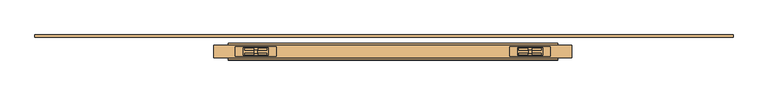
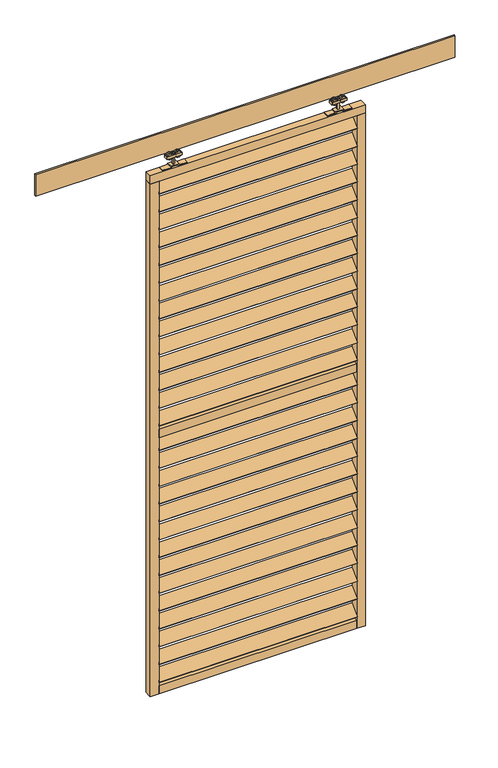
"""IFC4 building model written with IfcOpenShell, lengths in millimetres: door geometry."""

import ifcopenshell
import ifcopenshell.guid

model = None  # the IFC model being written
_history = None  # IfcOwnerHistory: only IFC2X3 demands one
_inside = {}  # id of a spatial element -> (the spatial element, [elements in it])
_under = {}  # id of a project, library or spatial element -> (it, [spatial elements below it])
_declared = {}  # id of a project -> (the project, [libraries it declares])
_typed = {}  # id of a type object -> (the type object, [elements of that type])
_made_of = {}  # id of a material, layer set ... -> (it, [elements and type objects made of it])


def new_model(schema):
    """Start an empty IFC model of exactly this schema.

    Asked for "IFC4X3", IfcOpenShell would pick the latest addendum, in which some entities
    have other attributes; the version numbers below select the first issue.
    IFC2X3 requires an IfcOwnerHistory on every rooted entity: one is made here for all.
    """
    global model, _history
    if schema == "IFC4X3":
        model = ifcopenshell.file(schema_version=(4, 3, 0, 0))
    else:
        model = ifcopenshell.file(schema=schema)
    _inside.clear()
    _under.clear()
    _declared.clear()
    _typed.clear()
    _made_of.clear()
    _history = None
    if model.schema == "IFC2X3":
        org = make("IfcOrganization", Name="unknown")
        user = make(
            "IfcPersonAndOrganization",
            ThePerson=make("IfcPerson", FamilyName="unknown"),
            TheOrganization=org,
        )
        app = make(
            "IfcApplication",
            ApplicationDeveloper=org,
            Version="unknown",
            ApplicationFullName="unknown",
            ApplicationIdentifier="unknown",
        )
        _history = make(
            "IfcOwnerHistory",
            OwningUser=user,
            OwningApplication=app,
            ChangeAction="ADDED",
            CreationDate=0,
        )
    return model


def make(cls, **values):
    """One entity of the class cls with the attributes given. An attribute that is None is left unset."""
    return model.create_entity(
        cls, **{name: value for name, value in values.items() if value is not None}
    )


def rooted(cls, **values):
    """An entity with a GlobalId (a new one), such as an element, a storey or a relation."""
    return make(cls, GlobalId=ifcopenshell.guid.new(), OwnerHistory=_history, **values)


def si_unit(unit_type, name, prefix=None):
    """IfcSIUnit, for example si_unit("LENGTHUNIT", "METRE", prefix="MILLI")."""
    return make("IfcSIUnit", UnitType=unit_type, Prefix=prefix, Name=name)


def assignment(units):
    """IfcUnitAssignment: the units of a project."""
    return None if units is None else make("IfcUnitAssignment", Units=units)


def point(xyz):
    """IfcCartesianPoint."""
    return None if xyz is None else make("IfcCartesianPoint", Coordinates=xyz)


def direction(xyz):
    """IfcDirection."""
    return None if xyz is None else make("IfcDirection", DirectionRatios=xyz)


def frame(location, z_axis=None, x_axis=None):
    """IfcAxis2Placement3D, a coordinate frame: its origin and axes. An axis left out is left unset."""
    return make(
        "IfcAxis2Placement3D",
        Location=point(location),
        Axis=direction(z_axis),
        RefDirection=direction(x_axis),
    )


def frame_2d(location, x_axis=None):
    """IfcAxis2Placement2D, a coordinate frame in the plane: its origin and x axis."""
    return make(
        "IfcAxis2Placement2D", Location=point(location), RefDirection=direction(x_axis)
    )


def origin():
    """The frame at (0, 0, 0) with its axes left unset."""
    return frame((0.0, 0.0, 0.0))


def place(relative_to, where):
    """IfcLocalPlacement: puts the frame where relative to a parent placement (None: the world)."""
    return make(
        "IfcLocalPlacement", PlacementRelTo=relative_to, RelativePlacement=where
    )


def context(
    kind, dimensions, precision=None, world=None, true_north=None, identifier=None
):
    """IfcGeometricRepresentationContext, for example the 3D "Model" context."""
    return make(
        "IfcGeometricRepresentationContext",
        ContextIdentifier=identifier,
        ContextType=kind,
        CoordinateSpaceDimension=dimensions,
        Precision=precision,
        WorldCoordinateSystem=world,
        TrueNorth=true_north,
    )


def project(units=None, contexts=None):
    """IfcProject with its units and contexts."""
    return rooted(
        "IfcProject",
        Name="project",
        RepresentationContexts=contexts,
        UnitsInContext=assignment(units),
    )


def spatial(cls, under=None, at=None, **own):
    """A site, building, storey or space (cls), placed at a placement, below another one or the project."""
    s = rooted(cls, ObjectPlacement=at, **own)
    if under is not None:
        _under.setdefault(under.id(), (under, []))[1].append(s)
    return s


def polyline(points):
    """IfcPolyline through the points."""
    return make("IfcPolyline", Points=[point(p) for p in points])


def circle_curve(where, radius):
    """IfcCircle in the frame where."""
    return make("IfcCircle", Position=where, Radius=radius)


def trimmed(basis, trim1, trim2, sense, master):
    """IfcTrimmedCurve: the piece of a basis curve between two trims."""
    return make(
        "IfcTrimmedCurve",
        BasisCurve=basis,
        Trim1=trim1,
        Trim2=trim2,
        SenseAgreement=sense,
        MasterRepresentation=master,
    )


def segment(curve, same_sense, transition):
    """IfcCompositeCurveSegment."""
    return make(
        "IfcCompositeCurveSegment",
        Transition=transition,
        SameSense=same_sense,
        ParentCurve=curve,
    )


def composite_curve(segments, self_intersect=None):
    """IfcCompositeCurve: segments joined end to end."""
    return make("IfcCompositeCurve", Segments=segments, SelfIntersect=self_intersect)


def outline(outer, holes=None, kind="AREA"):
    """IfcArbitraryClosedProfileDef: a profile drawn as a closed curve; with holes, ...WithVoids."""
    if holes is None:
        return make("IfcArbitraryClosedProfileDef", ProfileType=kind, OuterCurve=outer)
    return make(
        "IfcArbitraryProfileDefWithVoids",
        ProfileType=kind,
        OuterCurve=outer,
        InnerCurves=holes,
    )


def extrude(swept, where, along, depth):
    """IfcExtrudedAreaSolid: the profile swept, set in the frame where, extruded along a direction by depth."""
    return make(
        "IfcExtrudedAreaSolid",
        SweptArea=swept,
        Position=where,
        ExtrudedDirection=direction(along),
        Depth=depth,
    )


def shape(context_of_items, identifier, shape_type, items):
    """IfcShapeRepresentation: the items that make up one representation, for example the "Body"."""
    return make(
        "IfcShapeRepresentation",
        ContextOfItems=context_of_items,
        RepresentationIdentifier=identifier,
        RepresentationType=shape_type,
        Items=items,
    )


def source(mapping_origin, context_of_items, identifier, shape_type, items):
    """IfcRepresentationMap: a shape defined once, which mapped items show again and again."""
    return make(
        "IfcRepresentationMap",
        MappingOrigin=mapping_origin,
        MappedRepresentation=shape(context_of_items, identifier, shape_type, items),
    )


def transform(
    local_origin,
    x_axis=None,
    y_axis=None,
    z_axis=None,
    scale=None,
    scale2=None,
    scale3=None,
    uniform=True,
):
    """IfcCartesianTransformationOperator3D, or its non-uniform kind. x_axis, y_axis, z_axis: its Axis1, 2, 3."""
    if uniform:
        return make(
            "IfcCartesianTransformationOperator3D",
            Axis1=direction(x_axis),
            Axis2=direction(y_axis),
            LocalOrigin=point(local_origin),
            Scale=scale,
            Axis3=direction(z_axis),
        )
    return make(
        "IfcCartesianTransformationOperator3DnonUniform",
        Axis1=direction(x_axis),
        Axis2=direction(y_axis),
        LocalOrigin=point(local_origin),
        Scale=scale,
        Axis3=direction(z_axis),
        Scale2=scale2,
        Scale3=scale3,
    )


def mapped(mapping_source, mapping_target):
    """IfcMappedItem: shows the shape of a source again, moved by a transform."""
    return make(
        "IfcMappedItem", MappingSource=mapping_source, MappingTarget=mapping_target
    )


def made_of(thing, what):
    """Note that an element or type object is made of a material, layer set ...; save() writes the relation."""
    if what is not None:
        _made_of.setdefault(what.id(), (what, []))[1].append(thing)
    return thing


def element(
    cls,
    number,
    at=None,
    inside=None,
    cuts=None,
    type_object=None,
    material=None,
    context=None,
    identifier="Body",
    shape_type=None,
    held_by="IfcProductDefinitionShape",
    body=None,
    shapes=None,
    **own,
):
    """One element of the class cls, such as IfcWall. Its Tag is "e" and its number.

    at: its placement. inside: the storey or other place that contains it. cuts: it is an
    opening in that element (IfcRelVoidsElement). A single representation is given by context,
    identifier, shape_type and body (its items); several are given by shapes. held_by: the class
    of the entity that holds the representations. save() writes the other relations.
    """
    e = rooted(cls, Tag="e%d" % number, ObjectPlacement=at, **own)
    if body is not None:
        shapes = [shape(context, identifier, shape_type, body)]
    if shapes is not None:
        e.Representation = make(held_by, Representations=shapes)
    if inside is not None:
        _inside.setdefault(inside.id(), (inside, []))[1].append(e)
    if cuts is not None:
        rooted(
            "IfcRelVoidsElement", RelatingBuildingElement=cuts, RelatedOpeningElement=e
        )
    if type_object is not None:
        _typed.setdefault(type_object.id(), (type_object, []))[1].append(e)
    return made_of(e, material)


def aggregate(whole, parts):
    """IfcRelAggregates: a whole, such as a stair, and the parts it consists of."""
    return rooted("IfcRelAggregates", RelatingObject=whole, RelatedObjects=parts)


def save(model, path):
    """Write the relations noted so far, then the file.

    IfcRelAggregates (storeys below a building ...), IfcRelContainedInSpatialStructure (elements
    in a storey), IfcRelDefinesByType, IfcRelAssociatesMaterial and IfcRelDeclares: one each for
    every whole, place, type object, material and project.
    """
    for whole, parts in _under.values():
        aggregate(whole, parts)
    for where, things in _inside.values():
        rooted(
            "IfcRelContainedInSpatialStructure",
            RelatedElements=things,
            RelatingStructure=where,
        )
    for kind, things in _typed.values():
        rooted("IfcRelDefinesByType", RelatedObjects=things, RelatingType=kind)
    for what, things in _made_of.values():
        rooted("IfcRelAssociatesMaterial", RelatedObjects=things, RelatingMaterial=what)
    for by, libraries in _declared.values():
        rooted("IfcRelDeclares", RelatingContext=by, RelatedDefinitions=libraries)
    model.write(path)


def door_2c6dda8d(model_context):
    return source(origin(), model_context, "Body", "SweptSolid", [
        extrude(outline(polyline([(0.0, -5.0), (0.0, 0.0), (920.0, 0.0), (920.0, -5.0), (0.0, -5.0)])), frame((-362.5, -24.1880102, 2408.3651835), z_axis=(0.0, 0.7071067811865482, 0.707106781186547), x_axis=(1.0, 0.0, 0.0)), (0.0, 0.0, 1.0), 60.0),
        extrude(outline(polyline([(0.0, -5.0), (0.0, 0.0), (920.0, 0.0), (920.0, -5.0), (0.0, -5.0)])), frame((-362.5, -24.1880102, 2320.7113373), z_axis=(0.0, 0.7071067811865482, 0.707106781186547), x_axis=(1.0, 0.0, 0.0)), (0.0, 0.0, 1.0), 60.0),
        extrude(outline(polyline([(0.0, -5.0000001), (0.0, 0.0), (920.0, 0.0), (920.0, -5.0000001), (0.0, -5.0000001)])), frame((-362.5, -24.1880102, 2233.0574911), z_axis=(0.0, 0.7071067811865482, 0.707106781186547), x_axis=(1.0, 0.0, 0.0)), (0.0, 0.0, 1.0), 60.0),
        extrude(outline(polyline([(0.0, -5.0), (0.0, 0.0), (920.0, 0.0), (920.0, -5.0), (0.0, -5.0)])), frame((-362.5, -24.1880102, 1148.8651835), z_axis=(0.0, 0.7071067811865482, 0.707106781186547), x_axis=(1.0, 0.0, 0.0)), (0.0, 0.0, 1.0), 60.0),
        extrude(outline(polyline([(0.0, -5.0), (0.0, 0.0), (920.0, 0.0), (920.0, -5.0), (0.0, -5.0)])), frame((-362.5, -24.1880102, 1061.2113373), z_axis=(0.0, 0.7071067811865482, 0.707106781186547), x_axis=(1.0, 0.0, 0.0)), (0.0, 0.0, 1.0), 60.0),
        extrude(outline(polyline([(0.0, -5.0000001), (0.0, 0.0), (920.0, 0.0), (920.0, -5.0000001), (0.0, -5.0000001)])), frame((-362.5, -24.1880102, 973.5574911), z_axis=(0.0, 0.7071067811865482, 0.707106781186547), x_axis=(1.0, 0.0, 0.0)), (0.0, 0.0, 1.0), 60.0),
        extrude(outline(polyline([(0.0, -5.0), (0.0, 0.0), (920.0, 0.0), (920.0, -5.0), (0.0, -5.0)])), frame((-362.5, -24.1880102, 2145.403645), z_axis=(0.0, 0.7071067811865482, 0.707106781186547), x_axis=(1.0, 0.0, 0.0)), (0.0, 0.0, 1.0), 60.0),
        extrude(outline(polyline([(0.0, -5.0), (0.0, 0.0), (920.0, 0.0), (920.0, -5.0), (0.0, -5.0)])), frame((-362.5, -24.1880102, 2057.7497988), z_axis=(0.0, 0.7071067811865482, 0.707106781186547), x_axis=(1.0, 0.0, 0.0)), (0.0, 0.0, 1.0), 60.0),
        extrude(outline(polyline([(0.0, -5.0), (0.0, 0.0), (920.0, 0.0), (920.0, -5.0), (0.0, -5.0)])), frame((-362.5, -24.1880102, 1970.0959527), z_axis=(0.0, 0.7071067811865482, 0.707106781186547), x_axis=(1.0, 0.0, 0.0)), (0.0, 0.0, 1.0), 60.0),
        extrude(outline(polyline([(0.0, -5.0), (0.0, 0.0), (920.0, 0.0), (920.0, -5.0), (0.0, -5.0)])), frame((-362.5, -24.1880102, 1882.4421065), z_axis=(0.0, 0.7071067811865482, 0.707106781186547), x_axis=(1.0, 0.0, 0.0)), (0.0, 0.0, 1.0), 60.0),
        extrude(outline(polyline([(0.0, -5.0), (0.0, 0.0), (920.0, 0.0), (920.0, -5.0), (0.0, -5.0)])), frame((-362.5, -24.1880102, 885.903645), z_axis=(0.0, 0.7071067811865482, 0.707106781186547), x_axis=(1.0, 0.0, 0.0)), (0.0, 0.0, 1.0), 60.0),
        extrude(outline(polyline([(0.0, -5.0), (0.0, 0.0), (920.0, 0.0), (920.0, -5.0), (0.0, -5.0)])), frame((-362.5, -24.1880102, 798.2497988), z_axis=(0.0, 0.7071067811865482, 0.707106781186547), x_axis=(1.0, 0.0, 0.0)), (0.0, 0.0, 1.0), 60.0),
        extrude(outline(polyline([(0.0, -5.0), (0.0, 0.0), (920.0, 0.0), (920.0, -5.0), (0.0, -5.0)])), frame((-362.5, -24.1880102, 710.5959527), z_axis=(0.0, 0.7071067811865482, 0.707106781186547), x_axis=(1.0, 0.0, 0.0)), (0.0, 0.0, 1.0), 60.0),
        extrude(outline(polyline([(0.0, -5.0), (0.0, 0.0), (920.0, 0.0), (920.0, -5.0), (0.0, -5.0)])), frame((-362.5, -24.1880102, 622.9421065), z_axis=(0.0, 0.7071067811865482, 0.707106781186547), x_axis=(1.0, 0.0, 0.0)), (0.0, 0.0, 1.0), 60.0),
        extrude(outline(polyline([(0.0, -5.0), (0.0, 0.0), (920.0, 0.0), (920.0, -5.0), (0.0, -5.0)])), frame((-362.5, -24.1880102, 1794.7882604), z_axis=(0.0, 0.7071067811865482, 0.707106781186547), x_axis=(1.0, 0.0, 0.0)), (0.0, 0.0, 1.0), 60.0),
        extrude(outline(polyline([(0.0, -5.0), (0.0, 0.0), (920.0, 0.0), (920.0, -5.0), (0.0, -5.0)])), frame((-362.5, -24.1880102, 1707.1344142), z_axis=(0.0, 0.7071067811865482, 0.707106781186547), x_axis=(1.0, 0.0, 0.0)), (0.0, 0.0, 1.0), 60.0),
        extrude(outline(polyline([(0.0, -5.0), (0.0, 0.0), (920.0, 0.0), (920.0, -5.0), (0.0, -5.0)])), frame((-362.5, -24.1880102, 1619.4805681), z_axis=(0.0, 0.7071067811865482, 0.707106781186547), x_axis=(1.0, 0.0, 0.0)), (0.0, 0.0, 1.0), 60.0),
        extrude(outline(polyline([(0.0, -5.0), (0.0, 0.0), (920.0, 0.0), (920.0, -5.0), (0.0, -5.0)])), frame((-362.5, -24.1880102, 1531.8267219), z_axis=(0.0, 0.7071067811865482, 0.707106781186547), x_axis=(1.0, 0.0, 0.0)), (0.0, 0.0, 1.0), 60.0),
        extrude(outline(polyline([(0.0, -5.0), (0.0, 0.0), (920.0, 0.0), (920.0, -5.0), (0.0, -5.0)])), frame((-362.5, -24.1880102, 1444.1728758), z_axis=(0.0, 0.7071067811865482, 0.707106781186547), x_axis=(1.0, 0.0, 0.0)), (0.0, 0.0, 1.0), 60.0),
        extrude(outline(polyline([(0.0, -5.0), (0.0, 0.0), (920.0, 0.0), (920.0, -5.0), (0.0, -5.0)])), frame((-362.5, -24.1880102, 2496.0190296), z_axis=(0.0, 0.7071067811865482, 0.707106781186547), x_axis=(1.0, 0.0, 0.0)), (0.0, 0.0, 1.0), 60.0),
        extrude(outline(polyline([(0.0, -5.0), (0.0, 0.0), (920.0, 0.0), (920.0, -5.0), (0.0, -5.0)])), frame((-362.5, -24.1880102, 1356.5190296), z_axis=(0.0, 0.7071067811865482, 0.707106781186547), x_axis=(1.0, 0.0, 0.0)), (0.0, 0.0, 1.0), 60.0),
        extrude(outline(polyline([(0.0, -5.0), (0.0, 0.0), (920.0, 0.0), (920.0, -5.0), (0.0, -5.0)])), frame((-362.5, -24.1880102, 535.2882604), z_axis=(0.0, 0.7071067811865482, 0.707106781186547), x_axis=(1.0, 0.0, 0.0)), (0.0, 0.0, 1.0), 60.0),
        extrude(outline(polyline([(0.0, -5.0), (0.0, 0.0), (920.0, 0.0), (920.0, -5.0), (0.0, -5.0)])), frame((-362.5, -24.1880102, 447.6344142), z_axis=(0.0, 0.7071067811865482, 0.707106781186547), x_axis=(1.0, 0.0, 0.0)), (0.0, 0.0, 1.0), 60.0),
        extrude(outline(polyline([(0.0, -5.0), (0.0, 0.0), (920.0, 0.0), (920.0, -5.0), (0.0, -5.0)])), frame((-362.5, -24.1880102, 359.9805681), z_axis=(0.0, 0.7071067811865482, 0.707106781186547), x_axis=(1.0, 0.0, 0.0)), (0.0, 0.0, 1.0), 60.0),
        extrude(outline(polyline([(0.0, -5.0), (0.0, 0.0), (920.0, 0.0), (920.0, -5.0), (0.0, -5.0)])), frame((-362.5, -24.1880102, 272.3267219), z_axis=(0.0, 0.7071067811865482, 0.707106781186547), x_axis=(1.0, 0.0, 0.0)), (0.0, 0.0, 1.0), 60.0),
        extrude(outline(polyline([(0.0, -5.0), (0.0, 0.0), (920.0, 0.0), (920.0, -5.0), (0.0, -5.0)])), frame((-362.5, -24.1880102, 184.6728758), z_axis=(0.0, 0.7071067811865482, 0.707106781186547), x_axis=(1.0, 0.0, 0.0)), (0.0, 0.0, 1.0), 60.0),
        extrude(outline(polyline([(0.0, -5.0), (0.0, 0.0), (920.0, 0.0), (920.0, -5.0), (0.0, -5.0)])), frame((-362.5, -24.1880102, 1236.5190296), z_axis=(0.0, 0.7071067811865482, 0.707106781186547), x_axis=(1.0, 0.0, 0.0)), (0.0, 0.0, 1.0), 60.0),
        extrude(outline(polyline([(0.0, -5.0), (0.0, 0.0), (920.0, 0.0), (920.0, -5.0), (0.0, -5.0)])), frame((-362.5, -24.1880102, 97.0190296), z_axis=(0.0, 0.7071067811865482, 0.707106781186547), x_axis=(1.0, 0.0, 0.0)), (0.0, 0.0, 1.0), 60.0),
        extrude(outline(polyline([(557.5, -22.2425737), (-362.5, -22.2425737), (-362.5, 12.7574263), (557.5, 12.7574263), (557.5, -22.2425737)])), frame((0.0, 0.0, 1299.5), z_axis=(0.0, 0.0, 1.0), x_axis=(1.0, 0.0, 0.0)), (0.0, 0.0, 1.0), 40.0),
        extrude(outline(polyline([(557.5, -22.2425737), (-362.5, -22.2425737), (-362.5, 12.7574263), (557.5, 12.7574263), (557.5, -22.2425737)])), frame((0.0, 0.0, 40.0), z_axis=(0.0, 0.0, 1.0), x_axis=(1.0, 0.0, 0.0)), (0.0, 0.0, 1.0), 40.0),
        extrude(outline(polyline([(597.5, -22.2425737), (-402.5, -22.2425737), (-402.5, 12.7574263), (597.5, 12.7574263), (597.5, -22.2425737)])), frame((0.0, 0.0, 2559.0), z_axis=(0.0, 0.0, 1.0), x_axis=(1.0, 0.0, 0.0)), (0.0, 0.0, 1.0), 40.0),
        extrude(outline(polyline([(-362.5, -22.2425737), (-402.5, -22.2425737), (-402.5, 12.7574263), (-362.5, 12.7574263), (-362.5, -22.2425737)])), frame((0.0, 0.0, 40.0), z_axis=(0.0, 0.0, 1.0), x_axis=(1.0, 0.0, 0.0)), (0.0, 0.0, 1.0), 2519.0),
        extrude(outline(polyline([(597.5, -22.2425737), (557.5, -22.2425737), (557.5, 12.7574263), (597.5, 12.7574263), (597.5, -22.2425737)])), frame((0.0, 0.0, 40.0), z_axis=(0.0, 0.0, 1.0), x_axis=(1.0, 0.0, 0.0)), (0.0, 0.0, 1.0), 2519.0),
        extrude(outline(composite_curve([segment(trimmed(circle_curve(frame_2d((2652.430297, -304.25)), 13.5), [point((2652.430297, -317.75))], [point((2652.430297, -290.75))], False, "CARTESIAN"), True, "CONTINUOUS"), segment(trimmed(circle_curve(frame_2d((2652.430297, -304.25)), 13.5), [point((2652.430297, -290.75))], [point((2652.430297, -317.75))], False, "CARTESIAN"), True, "CONTINUOUS")], self_intersect=False)), frame((0.0, -13.9509888, 0.0), z_axis=(0.0, 1.0, 0.0), x_axis=(0.0, 0.0, 1.0)), (0.0, 0.0, 1.0), 5.2084151),
        extrude(outline(composite_curve([segment(trimmed(circle_curve(frame_2d((2652.430297, -266.75)), 13.5), [point((2652.430297, -253.25))], [point((2652.430297, -280.25))], False, "CARTESIAN"), True, "CONTINUOUS"), segment(trimmed(circle_curve(frame_2d((2652.430297, -266.75)), 13.5), [point((2652.430297, -280.25))], [point((2652.430297, -253.25))], False, "CARTESIAN"), True, "CONTINUOUS")], self_intersect=False)), frame((0.0, -13.9509888, 0.0), z_axis=(0.0, 1.0, 0.0), x_axis=(0.0, 0.0, 1.0)), (0.0, 0.0, 1.0), 5.2084151),
        extrude(outline(composite_curve([segment(trimmed(circle_curve(frame_2d((2652.430297, -304.25)), 13.5), [point((2652.430297, -317.75))], [point((2652.430297, -290.75))], False, "CARTESIAN"), True, "CONTINUOUS"), segment(trimmed(circle_curve(frame_2d((2652.430297, -304.25)), 13.5), [point((2652.430297, -290.75))], [point((2652.430297, -317.75))], False, "CARTESIAN"), True, "CONTINUOUS")], self_intersect=False)), frame((0.0, -0.7425737, 0.0), z_axis=(0.0, 1.0, 0.0), x_axis=(0.0, 0.0, 1.0)), (0.0, 0.0, 1.0), 5.0880554),
        extrude(outline(composite_curve([segment(trimmed(circle_curve(frame_2d((2652.430297, -266.75)), 13.5), [point((2652.430297, -253.25))], [point((2652.430297, -280.25))], False, "CARTESIAN"), True, "CONTINUOUS"), segment(trimmed(circle_curve(frame_2d((2652.430297, -266.75)), 13.5), [point((2652.430297, -280.25))], [point((2652.430297, -253.25))], False, "CARTESIAN"), True, "CONTINUOUS")], self_intersect=False)), frame((0.0, -0.7425737, 0.0), z_axis=(0.0, 1.0, 0.0), x_axis=(0.0, 0.0, 1.0)), (0.0, 0.0, 1.0), 5.0880554),
        extrude(outline(polyline([(-320.5, -15.2425737), (-320.5, 5.7574263), (-250.5, 5.7574263), (-250.5, -15.2425737), (-320.5, -15.2425737)])), frame((0.0, 0.0, 2644.5), z_axis=(0.0, 0.0, 1.0), x_axis=(1.0, 0.0, 0.0)), (0.0, 0.0, 1.0), 13.0),
        extrude(outline(polyline([(-289.5, -8.7425737), (-289.5, -0.7425737), (-281.5, -0.7425737), (-281.5, -8.7425737), (-289.5, -8.7425737)])), frame((0.0, 0.0, 2603.0), z_axis=(0.0, 0.0, 1.0), x_axis=(1.0, 0.0, 0.0)), (0.0, 0.0, 1.0), 56.0),
        extrude(outline(polyline([(2603.0, -228.5), (2603.0, -266.5), (2609.0, -266.5), (2609.0, -304.5), (2603.0, -304.5), (2603.0, -342.5), (2599.0, -342.5), (2599.0, -300.5), (2605.0, -300.5), (2605.0, -270.5), (2599.0, -270.5), (2599.0, -228.5), (2603.0, -228.5)])), frame((0.0, -17.7425737, 0.0), z_axis=(0.0, 1.0, 0.0), x_axis=(0.0, 0.0, 1.0)), (0.0, 0.0, 1.0), 26.0),
        extrude(outline(composite_curve([segment(trimmed(circle_curve(frame_2d((2652.430297, 499.25)), 13.5), [point((2652.430297, 512.75))], [point((2652.430297, 485.75))], False, "CARTESIAN"), True, "CONTINUOUS"), segment(trimmed(circle_curve(frame_2d((2652.430297, 499.25)), 13.5), [point((2652.430297, 485.75))], [point((2652.430297, 512.75))], False, "CARTESIAN"), True, "CONTINUOUS")], self_intersect=False)), frame((0.0, -13.9509888, 0.0), z_axis=(0.0, 1.0, 0.0), x_axis=(0.0, 0.0, 1.0)), (0.0, 0.0, 1.0), 5.2084151),
        extrude(outline(composite_curve([segment(trimmed(circle_curve(frame_2d((2652.430297, 461.75)), 13.5), [point((2652.430297, 448.25))], [point((2652.430297, 475.25))], False, "CARTESIAN"), True, "CONTINUOUS"), segment(trimmed(circle_curve(frame_2d((2652.430297, 461.75)), 13.5), [point((2652.430297, 475.25))], [point((2652.430297, 448.25))], False, "CARTESIAN"), True, "CONTINUOUS")], self_intersect=False)), frame((0.0, -13.9509888, 0.0), z_axis=(0.0, 1.0, 0.0), x_axis=(0.0, 0.0, 1.0)), (0.0, 0.0, 1.0), 5.2084151),
        extrude(outline(composite_curve([segment(trimmed(circle_curve(frame_2d((2652.430297, 499.25)), 13.5), [point((2652.430297, 512.75))], [point((2652.430297, 485.75))], False, "CARTESIAN"), True, "CONTINUOUS"), segment(trimmed(circle_curve(frame_2d((2652.430297, 499.25)), 13.5), [point((2652.430297, 485.75))], [point((2652.430297, 512.75))], False, "CARTESIAN"), True, "CONTINUOUS")], self_intersect=False)), frame((0.0, -0.7425737, 0.0), z_axis=(0.0, 1.0, 0.0), x_axis=(0.0, 0.0, 1.0)), (0.0, 0.0, 1.0), 5.0880554),
        extrude(outline(composite_curve([segment(trimmed(circle_curve(frame_2d((2652.430297, 461.75)), 13.5), [point((2652.430297, 448.25))], [point((2652.430297, 475.25))], False, "CARTESIAN"), True, "CONTINUOUS"), segment(trimmed(circle_curve(frame_2d((2652.430297, 461.75)), 13.5), [point((2652.430297, 475.25))], [point((2652.430297, 448.25))], False, "CARTESIAN"), True, "CONTINUOUS")], self_intersect=False)), frame((0.0, -0.7425737, 0.0), z_axis=(0.0, 1.0, 0.0), x_axis=(0.0, 0.0, 1.0)), (0.0, 0.0, 1.0), 5.0880554),
        extrude(outline(polyline([(515.5, -15.2425737), (445.5, -15.2425737), (445.5, 5.7574263), (515.5, 5.7574263), (515.5, -15.2425737)])), frame((0.0, 0.0, 2644.5), z_axis=(0.0, 0.0, 1.0), x_axis=(1.0, 0.0, 0.0)), (0.0, 0.0, 1.0), 13.0),
        extrude(outline(polyline([(484.5, -8.7425737), (476.5, -8.7425737), (476.5, -0.7425737), (484.5, -0.7425737), (484.5, -8.7425737)])), frame((0.0, 0.0, 2603.0), z_axis=(0.0, 0.0, 1.0), x_axis=(1.0, 0.0, 0.0)), (0.0, 0.0, 1.0), 56.0),
        extrude(outline(polyline([(2603.0, 423.5), (2599.0, 423.5), (2599.0, 465.5), (2605.0, 465.5), (2605.0, 495.5), (2599.0, 495.5), (2599.0, 537.5), (2603.0, 537.5), (2603.0, 499.5), (2609.0, 499.5), (2609.0, 461.5), (2603.0, 461.5), (2603.0, 423.5)])), frame((0.0, -17.7425737, 0.0), z_axis=(0.0, 1.0, 0.0), x_axis=(0.0, 0.0, 1.0)), (0.0, 0.0, 1.0), 26.0),
        extrude(outline(polyline([(1047.5, 42.0), (1047.5, 35.7), (-902.5, 35.7), (-902.5, 42.0), (1047.5, 42.0)])), frame((0.0, 0.0, 2640.0), z_axis=(0.0, 0.0, 1.0), x_axis=(1.0, 0.0, 0.0)), (0.0, 0.0, 1.0), 105.0),
    ])


if __name__ == "__main__":
    model = new_model("IFC4")
    model_context = context("Model", 3, world=origin())
    ifc_project = project(units=[si_unit("LENGTHUNIT", "METRE", prefix="MILLI")], contexts=[model_context])
    site = spatial("IfcSite", under=ifc_project)
    building = spatial("IfcBuilding", under=site)
    placement = place(None, origin())
    door_shape = door_2c6dda8d(model_context)
    element("IfcDoor", 1, at=placement, inside=building, context=model_context, shape_type="MappedRepresentation", body=[
        mapped(door_shape, transform((0.0, 0.0, 0.0), x_axis=(1.0, 0.0, 0.0), y_axis=(0.0, 1.0, 0.0), z_axis=(0.0, 0.0, 1.0))),
    ])
    save(model, "model.ifc")
